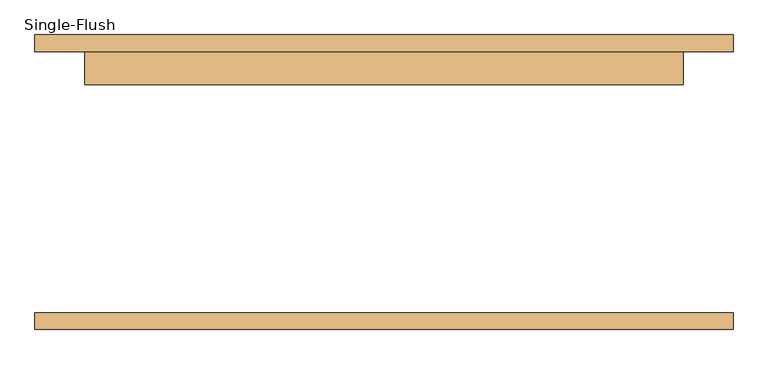
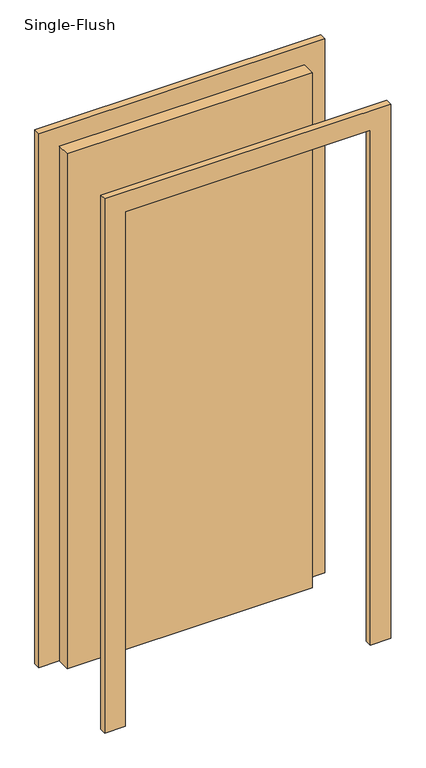
"""IFC4 building model written with IfcOpenShell, lengths in millimetres: door geometry, Single-Flush."""

from ifc_helpers import new_model, si_unit, frame, origin, origin_with_axes, place, context, project, spatial, polyline, outline, extrude, source, transform, mapped, element, save


def single_flush_b9484fa5(model_context):
    return source(origin(), model_context, "Body", "SweptSolid", [
        extrude(outline(polyline([(2106.2, -533.4), (0.0, -533.4), (0.0, -457.2), (2030.0, -457.2), (2030.0, 457.2), (0.0, 457.2), (0.0, 533.4), (2106.2, 533.4), (2106.2, -533.4)])), frame((0.0, 200.0, 0.0), z_axis=(0.0, 1.0, 0.0), x_axis=(0.0, 0.0, 1.0)), (0.0, 0.0, 1.0), 25.4),
        extrude(outline(polyline([(2106.2, 533.4), (2106.2, -533.4), (0.0, -533.4), (0.0, -457.2), (2030.0, -457.2), (2030.0, 457.2), (0.0, 457.2), (0.0, 533.4), (2106.2, 533.4)])), frame((0.0, -225.4, 0.0), z_axis=(0.0, 1.0, 0.0), x_axis=(0.0, 0.0, 1.0)), (0.0, 0.0, 1.0), 25.4),
        extrude(outline(polyline([(457.2, 149.2), (-457.2, 149.2), (-457.2, 200.0), (457.2, 200.0), (457.2, 149.2)])), origin_with_axes(), (0.0, 0.0, 1.0), 2030.0),
    ])


if __name__ == "__main__":
    model = new_model("IFC4")
    model_context = context("Model", 3, world=origin())
    ifc_project = project(units=[si_unit("LENGTHUNIT", "METRE", prefix="MILLI")], contexts=[model_context])
    site = spatial("IfcSite", under=ifc_project)
    building = spatial("IfcBuilding", under=site)
    placement = place(None, origin())
    single_flush_shape = single_flush_b9484fa5(model_context)
    element("IfcDoor", 1, ObjectType="Single-Flush", at=placement, inside=building, context=model_context, shape_type="MappedRepresentation", body=[
        mapped(single_flush_shape, transform((0.0, 0.0, 0.0), x_axis=(1.0, 0.0, 0.0), y_axis=(0.0, 1.0, 0.0), z_axis=(0.0, 0.0, 1.0))),
    ])
    save(model, "model.ifc")
